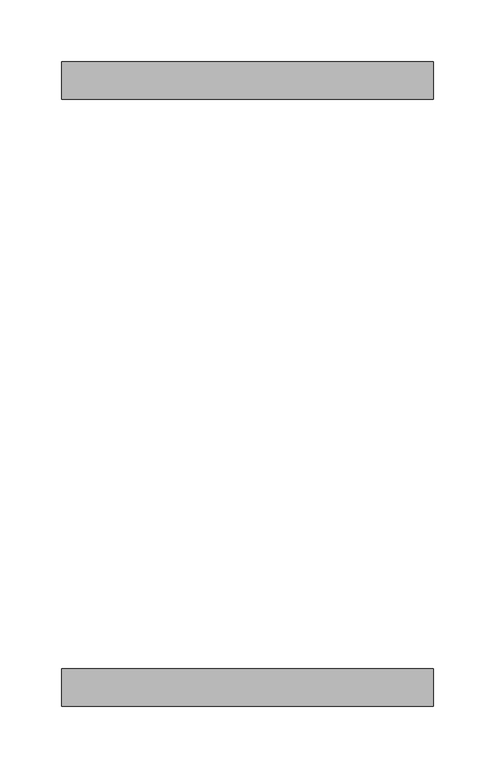
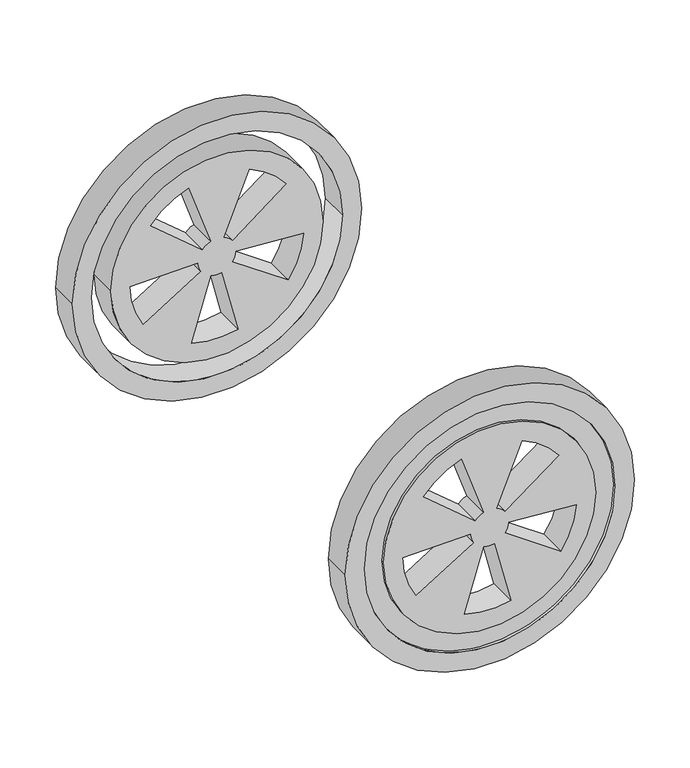
"""IFC4 building model written with IfcOpenShell, lengths in millimetres: fire suppression terminal geometry."""

from ifc_helpers import new_model, si_unit, point, frame, frame_2d, origin, place, context, project, spatial, polyline, circle_curve, trimmed, segment, composite_curve, outline, extrude, source, transform, mapped, element, save


def fire_suppression_terminal_3d32a5a5(model_context):
    return source(origin(), model_context, "Body", "SweptSolid", [
        extrude(outline(composite_curve([segment(trimmed(circle_curve(frame_2d((150.0, 290.5)), 150.0), [point((150.0, 440.5))], [point((150.0, 140.5))], False, "CARTESIAN"), True, "CONTINUOUS"), segment(trimmed(circle_curve(frame_2d((150.0, 290.5)), 150.0), [point((150.0, 140.5))], [point((150.0, 440.5))], False, "CARTESIAN"), True, "CONTINUOUS")], self_intersect=False), holes=[composite_curve([segment(trimmed(circle_curve(frame_2d((150.0, 290.5)), 130.0), [point((150.0, 420.5))], [point((150.0, 160.5))], True, "CARTESIAN"), True, "CONTINUOUS"), segment(trimmed(circle_curve(frame_2d((150.0, 290.5)), 130.0), [point((150.0, 160.5))], [point((150.0, 420.5))], True, "CARTESIAN"), True, "CONTINUOUS")], self_intersect=False)]), frame((0.0, 265.0, 0.0), z_axis=(0.0, 1.0, 0.0), x_axis=(0.0, 0.0, 1.0)), (0.0, 0.0, 1.0), 30.0),
        extrude(outline(composite_curve([segment(trimmed(circle_curve(frame_2d((150.0, 290.5)), 110.0), [point((150.0, 400.5))], [point((150.0, 180.5))], False, "CARTESIAN"), True, "CONTINUOUS"), segment(trimmed(circle_curve(frame_2d((150.0, 290.5)), 110.0), [point((150.0, 180.5))], [point((150.0, 400.5))], False, "CARTESIAN"), True, "CONTINUOUS")], self_intersect=False), holes=[composite_curve([segment(polyline([(235.0966718, 261.1988661), (168.9103715, 283.9886369)]), True, "CONTINUOUS"), segment(trimmed(circle_curve(frame_2d((150.0, 290.5)), 20.0), [point((168.9103715, 283.9886369))], [point((162.8557522, 275.1791111))], False, "CARTESIAN"), True, "CONTINUOUS"), segment(polyline([(162.8557522, 275.1791111), (207.8508849, 221.5560001)]), True, "CONTINUOUS"), segment(trimmed(circle_curve(frame_2d((150.0, 290.5)), 90.0), [point((207.8508849, 221.5560001))], [point((235.0966718, 261.1988661))], True, "CARTESIAN"), True, "CONTINUOUS")], self_intersect=False), composite_curve([segment(polyline([(204.1633521, 362.3771959), (162.0363005, 306.4727102)]), True, "CONTINUOUS"), segment(trimmed(circle_curve(frame_2d((150.0, 290.5)), 20.0), [point((162.0363005, 306.4727102))], [point((168.5436771, 297.9921319))], False, "CARTESIAN"), True, "CONTINUOUS"), segment(polyline([(168.5436771, 297.9921319), (233.4465469, 324.2145934)]), True, "CONTINUOUS"), segment(trimmed(circle_curve(frame_2d((150.0, 290.5)), 90.0), [point((233.4465469, 324.2145934))], [point((204.1633521, 362.3771959))], True, "CARTESIAN"), True, "CONTINUOUS")], self_intersect=False), composite_curve([segment(trimmed(circle_curve(frame_2d((150.0, 290.5)), 90.0), [point((143.7219174, 380.2807645))], [point((98.3781207, 364.223684))], True, "CARTESIAN"), True, "CONTINUOUS"), segment(polyline([(98.3781207, 364.223684), (138.5284713, 306.8830409)]), True, "CONTINUOUS"), segment(trimmed(circle_curve(frame_2d((150.0, 290.5)), 20.0), [point((138.5284713, 306.8830409))], [point((148.6048705, 310.451281))], False, "CARTESIAN"), True, "CONTINUOUS"), segment(polyline([(148.6048705, 310.451281), (143.7219174, 380.2807645)]), True, "CONTINUOUS")], self_intersect=False), composite_curve([segment(trimmed(circle_curve(frame_2d((150.0, 290.5)), 90.0), [point((62.6733846, 312.2729706))], [point((63.932572, 264.1865466))], True, "CARTESIAN"), True, "CONTINUOUS"), segment(polyline([(63.932572, 264.1865466), (130.8739049, 284.6525659)]), True, "CONTINUOUS"), segment(trimmed(circle_curve(frame_2d((150.0, 290.5)), 20.0), [point((130.8739049, 284.6525659))], [point((130.5940855, 295.3384379))], False, "CARTESIAN"), True, "CONTINUOUS"), segment(polyline([(130.5940855, 295.3384379), (62.6733846, 312.2729706)]), True, "CONTINUOUS")], self_intersect=False), composite_curve([segment(trimmed(circle_curve(frame_2d((150.0, 290.5)), 90.0), [point((102.3072662, 214.1756713))], [point((148.4292834, 200.5137074))], True, "CARTESIAN"), True, "CONTINUOUS"), segment(polyline([(148.4292834, 200.5137074), (149.6509519, 270.5030461)]), True, "CONTINUOUS"), segment(trimmed(circle_curve(frame_2d((150.0, 290.5)), 20.0), [point((149.6509519, 270.5030461))], [point((139.4016147, 273.5390381))], False, "CARTESIAN"), True, "CONTINUOUS"), segment(polyline([(139.4016147, 273.5390381), (102.3072662, 214.1756713)]), True, "CONTINUOUS")], self_intersect=False)]), frame((0.0, 265.0, 0.0), z_axis=(0.0, 1.0, 0.0), x_axis=(0.0, 0.0, 1.0)), (0.0, 0.0, 1.0), 30.0),
        extrude(outline(composite_curve([segment(trimmed(circle_curve(frame_2d((150.0, 290.5)), 130.0), [point((150.0, 420.5))], [point((150.0, 160.5))], False, "CARTESIAN"), True, "CONTINUOUS"), segment(trimmed(circle_curve(frame_2d((150.0, 290.5)), 130.0), [point((150.0, 160.5))], [point((150.0, 420.5))], False, "CARTESIAN"), True, "CONTINUOUS")], self_intersect=False), holes=[composite_curve([segment(trimmed(circle_curve(frame_2d((150.0, 290.5)), 110.0), [point((150.0, 400.5))], [point((150.0, 180.5))], True, "CARTESIAN"), True, "CONTINUOUS"), segment(trimmed(circle_curve(frame_2d((150.0, 290.5)), 110.0), [point((150.0, 180.5))], [point((150.0, 400.5))], True, "CARTESIAN"), True, "CONTINUOUS")], self_intersect=False)]), frame((0.0, -222.0, 0.0), z_axis=(0.0, 1.0, 0.0), x_axis=(0.0, 0.0, 1.0)), (0.0, 0.0, 1.0), 27.0),
        extrude(outline(composite_curve([segment(trimmed(circle_curve(frame_2d((150.0, 290.5)), 150.0), [point((150.0, 440.5))], [point((150.0, 140.5))], False, "CARTESIAN"), True, "CONTINUOUS"), segment(trimmed(circle_curve(frame_2d((150.0, 290.5)), 150.0), [point((150.0, 140.5))], [point((150.0, 440.5))], False, "CARTESIAN"), True, "CONTINUOUS")], self_intersect=False), holes=[composite_curve([segment(trimmed(circle_curve(frame_2d((150.0, 290.5)), 130.0), [point((150.0, 420.5))], [point((150.0, 160.5))], True, "CARTESIAN"), True, "CONTINUOUS"), segment(trimmed(circle_curve(frame_2d((150.0, 290.5)), 130.0), [point((150.0, 160.5))], [point((150.0, 420.5))], True, "CARTESIAN"), True, "CONTINUOUS")], self_intersect=False)]), frame((0.0, -225.0, 0.0), z_axis=(0.0, 1.0, 0.0), x_axis=(0.0, 0.0, 1.0)), (0.0, 0.0, 1.0), 30.0),
        extrude(outline(composite_curve([segment(trimmed(circle_curve(frame_2d((150.0, 290.5)), 110.0), [point((150.0, 400.5))], [point((150.0, 180.5))], False, "CARTESIAN"), True, "CONTINUOUS"), segment(trimmed(circle_curve(frame_2d((150.0, 290.5)), 110.0), [point((150.0, 180.5))], [point((150.0, 400.5))], False, "CARTESIAN"), True, "CONTINUOUS")], self_intersect=False), holes=[composite_curve([segment(polyline([(235.0966718, 261.1988661), (168.9103715, 283.9886369)]), True, "CONTINUOUS"), segment(trimmed(circle_curve(frame_2d((150.0, 290.5)), 20.0), [point((168.9103715, 283.9886369))], [point((162.8557522, 275.1791111))], False, "CARTESIAN"), True, "CONTINUOUS"), segment(polyline([(162.8557522, 275.1791111), (207.8508849, 221.5560001)]), True, "CONTINUOUS"), segment(trimmed(circle_curve(frame_2d((150.0, 290.5)), 90.0), [point((207.8508849, 221.5560001))], [point((235.0966718, 261.1988661))], True, "CARTESIAN"), True, "CONTINUOUS")], self_intersect=False), composite_curve([segment(polyline([(204.1633521, 362.3771959), (162.0363005, 306.4727102)]), True, "CONTINUOUS"), segment(trimmed(circle_curve(frame_2d((150.0, 290.5)), 20.0), [point((162.0363005, 306.4727102))], [point((168.5436771, 297.9921319))], False, "CARTESIAN"), True, "CONTINUOUS"), segment(polyline([(168.5436771, 297.9921319), (233.4465469, 324.2145934)]), True, "CONTINUOUS"), segment(trimmed(circle_curve(frame_2d((150.0, 290.5)), 90.0), [point((233.4465469, 324.2145934))], [point((204.1633521, 362.3771959))], True, "CARTESIAN"), True, "CONTINUOUS")], self_intersect=False), composite_curve([segment(trimmed(circle_curve(frame_2d((150.0, 290.5)), 90.0), [point((143.7219174, 380.2807645))], [point((98.3781207, 364.223684))], True, "CARTESIAN"), True, "CONTINUOUS"), segment(polyline([(98.3781207, 364.223684), (138.5284713, 306.8830409)]), True, "CONTINUOUS"), segment(trimmed(circle_curve(frame_2d((150.0, 290.5)), 20.0), [point((138.5284713, 306.8830409))], [point((148.6048705, 310.451281))], False, "CARTESIAN"), True, "CONTINUOUS"), segment(polyline([(148.6048705, 310.451281), (143.7219174, 380.2807645)]), True, "CONTINUOUS")], self_intersect=False), composite_curve([segment(trimmed(circle_curve(frame_2d((150.0, 290.5)), 90.0), [point((62.6733846, 312.2729706))], [point((63.932572, 264.1865466))], True, "CARTESIAN"), True, "CONTINUOUS"), segment(polyline([(63.932572, 264.1865466), (130.8739049, 284.6525659)]), True, "CONTINUOUS"), segment(trimmed(circle_curve(frame_2d((150.0, 290.5)), 20.0), [point((130.8739049, 284.6525659))], [point((130.5940855, 295.3384379))], False, "CARTESIAN"), True, "CONTINUOUS"), segment(polyline([(130.5940855, 295.3384379), (62.6733846, 312.2729706)]), True, "CONTINUOUS")], self_intersect=False), composite_curve([segment(trimmed(circle_curve(frame_2d((150.0, 290.5)), 90.0), [point((102.3072662, 214.1756713))], [point((148.4292834, 200.5137074))], True, "CARTESIAN"), True, "CONTINUOUS"), segment(polyline([(148.4292834, 200.5137074), (149.6509519, 270.5030461)]), True, "CONTINUOUS"), segment(trimmed(circle_curve(frame_2d((150.0, 290.5)), 20.0), [point((149.6509519, 270.5030461))], [point((139.4016147, 273.5390381))], False, "CARTESIAN"), True, "CONTINUOUS"), segment(polyline([(139.4016147, 273.5390381), (102.3072662, 214.1756713)]), True, "CONTINUOUS")], self_intersect=False)]), frame((0.0, -225.0, 0.0), z_axis=(0.0, 1.0, 0.0), x_axis=(0.0, 0.0, 1.0)), (0.0, 0.0, 1.0), 30.0),
    ])


if __name__ == "__main__":
    model = new_model("IFC4")
    model_context = context("Model", 3, world=origin())
    ifc_project = project(units=[si_unit("LENGTHUNIT", "METRE", prefix="MILLI")], contexts=[model_context])
    site = spatial("IfcSite", under=ifc_project)
    building = spatial("IfcBuilding", under=site)
    placement = place(None, origin())
    fire_suppression_terminal_shape = fire_suppression_terminal_3d32a5a5(model_context)
    element("IfcFireSuppressionTerminal", 1, at=placement, inside=building, context=model_context, shape_type="MappedRepresentation", body=[
        mapped(fire_suppression_terminal_shape, transform((0.0, 0.0, 0.0), x_axis=(1.0, 0.0, 0.0), y_axis=(0.0, 1.0, 0.0), z_axis=(0.0, 0.0, 1.0))),
    ])
    save(model, "model.ifc")
